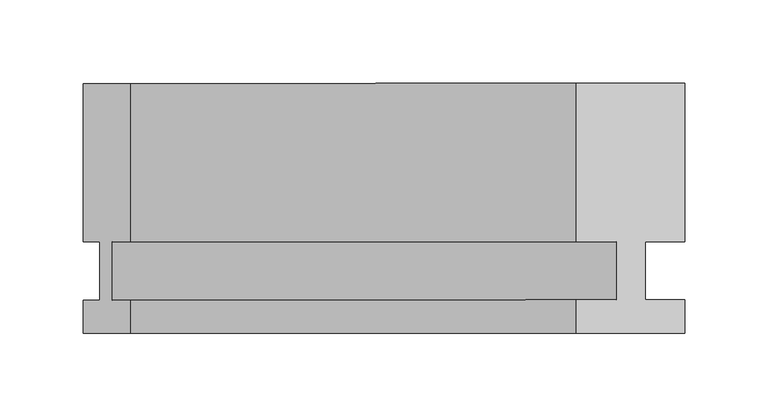
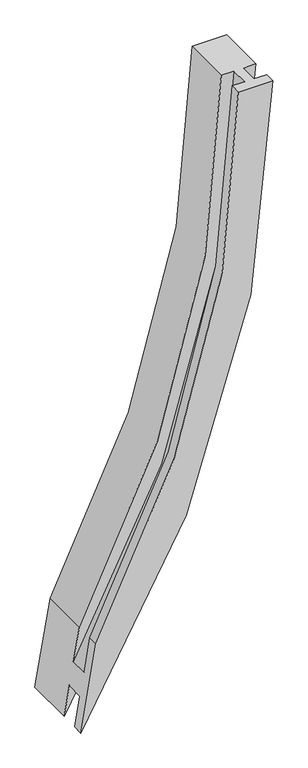
"""IFC4 building model written with IfcOpenShell, lengths in millimetres: member geometry."""

from ifc_helpers import new_model, si_unit, frame, origin, place, context, project, spatial, polyline, circle_curve, source, transform, mapped, element, save
from ifc_brep_helpers import plane_surface, cylinder_surface, revolved_surface, advanced_brep


def member_bac3bead(model_context):
    return source(origin(), model_context, "Body", "AdvancedBrep", [
        advanced_brep(
        [(-361.1054121, -37.0, -1172.3955287), (0.0, -37.0, 0.0), (-65.0, -37.0, 0.0), (-332.6852015, -37.0, -1004.5520456), (-361.1054121, -17.0, -1172.3955287), (0.0, -17.0, 0.0), (-351.2876085, -17.0, -1114.4137506), (-23.8125, -17.0, 0.0), (-351.2876085, 18.0, -1114.4137506), (-23.8125, 18.0, 0.0), (-361.1054121, 18.0, -1172.3955287), (0.0, 18.0, 0.0), (-361.1054121, 113.0, -1172.3955287), (0.0, 113.0, 0.0), (-332.6852015, 113.0, -1004.5520456), (-65.0, 113.0, 0.0), (-332.6852015, 18.0, -1004.5520456), (-65.0, 18.0, 0.0), (-343.7260302, 18.0, -1069.7567399), (-41.1875, 18.0, 0.0), (-343.7260302, -17.0, -1069.7567399), (-41.1875, -17.0, 0.0), (-332.6852015, -17.0, -1004.5520456), (-65.0, -17.0, 0.0)],
        [
            (0, 1, circle_curve(frame((-2083.7522008, -37.0, 0.0), z_axis=(0.0, -1.0, 0.0), x_axis=(1.0, 0.0, 0.0)), 2083.7522008)),
            (1, 2),
            (2, 3, circle_curve(frame((-2083.7522008, -37.0, 0.0), z_axis=(0.0, 1.0, 0.0), x_axis=(1.0, 0.0, 0.0)), 2018.7522008)),
            (3, 0),
            (4, 5, circle_curve(frame((-2083.7522008, -17.0, 0.0), z_axis=(0.0, -1.0, 0.0), x_axis=(1.0, 0.0, 0.0)), 2083.7522008)),
            (5, 1),
            (0, 4),
            (6, 7, circle_curve(frame((-2083.7522008, -17.0, 0.0), z_axis=(0.0, -1.0, 0.0), x_axis=(1.0, 0.0, 0.0)), 2059.9397008)),
            (7, 5),
            (4, 6),
            (8, 9, circle_curve(frame((-2083.7522008, 18.0, 0.0), z_axis=(0.0, -1.0, 0.0), x_axis=(1.0, 0.0, 0.0)), 2059.9397008)),
            (9, 7),
            (6, 8),
            (10, 11, circle_curve(frame((-2083.7522008, 18.0, 0.0), z_axis=(0.0, -1.0, 0.0), x_axis=(1.0, 0.0, 0.0)), 2083.7522008)),
            (11, 9),
            (8, 10),
            (12, 13, circle_curve(frame((-2083.7522008, 113.0, 0.0), z_axis=(0.0, -1.0, 0.0), x_axis=(1.0, 0.0, 0.0)), 2083.7522008)),
            (13, 11),
            (10, 12),
            (14, 15, circle_curve(frame((-2083.7522008, 113.0, 0.0), z_axis=(0.0, -1.0, 0.0), x_axis=(1.0, 0.0, 0.0)), 2018.7522008)),
            (15, 13),
            (12, 14),
            (16, 17, circle_curve(frame((-2083.7522008, 18.0, 0.0), z_axis=(0.0, -1.0, 0.0), x_axis=(1.0, 0.0, 0.0)), 2018.7522008)),
            (17, 15),
            (14, 16),
            (18, 19, circle_curve(frame((-2083.7522008, 18.0, 0.0), z_axis=(0.0, -1.0, 0.0), x_axis=(1.0, 0.0, 0.0)), 2042.5647008)),
            (19, 17),
            (16, 18),
            (20, 21, circle_curve(frame((-2083.7522008, -17.0, 0.0), z_axis=(0.0, -1.0, 0.0), x_axis=(1.0, 0.0, 0.0)), 2042.5647008)),
            (21, 19),
            (18, 20),
            (22, 23, circle_curve(frame((-2083.7522008, -17.0, 0.0), z_axis=(0.0, -1.0, 0.0), x_axis=(1.0, 0.0, 0.0)), 2018.7522008)),
            (23, 21),
            (20, 22),
            (2, 23),
            (22, 3),
        ],
        [
            plane_surface(frame((-2083.7522008, -37.0, 0.0), z_axis=(0.0, -1.0, 0.0), x_axis=(1.0, 0.0, 0.0))),
            cylinder_surface(frame((-2083.7522008, 0.0, 0.0), z_axis=(0.0, 1.0, 0.0), x_axis=(1.0, 0.0, 0.0)), 2083.7522008),
            plane_surface(frame((-2083.7522008, -17.0, 0.0), z_axis=(0.0, 1.0, 0.0), x_axis=(1.0, 0.0, 0.0))),
            cylinder_surface(frame((-2083.7522008, 0.0, 0.0), z_axis=(0.0, 1.0, 0.0), x_axis=(1.0, 0.0, 0.0)), 2059.9397008),
            plane_surface(frame((-2083.7522008, 18.0, 0.0), z_axis=(0.0, -1.0, 0.0), x_axis=(1.0, 0.0, 0.0))),
            plane_surface(frame((-2083.7522008, 113.0, 0.0), z_axis=(0.0, 1.0, 0.0), x_axis=(1.0, 0.0, 0.0))),
            revolved_surface(polyline([(-65.0, 113.0, 0.0), (-65.0, 18.0, 0.0)]), (-2083.7522008, 0.0, 0.0), (0.0, 1.0, 0.0)),
            revolved_surface(polyline([(-41.1875, 18.0, 0.0), (-41.1875, -17.0, 0.0)]), (-2083.7522008, 0.0, 0.0), (0.0, 1.0, 0.0)),
            revolved_surface(polyline([(-65.0, -17.0, 0.0), (-65.0, -37.0, 0.0)]), (-2083.7522008, 0.0, 0.0), (0.0, 1.0, 0.0)),
            plane_surface(frame((-304.8, 0.0, 0.0), z_axis=(0.0, 0.0, 1.0), x_axis=(0.0, 1.0, 0.0))),
            plane_surface(frame((-347.5532094, 0.0, -1092.3592145), z_axis=(-0.9859654870734517, 0.0, 0.16694926864173812), x_axis=(0.16694926864173812, 0.0, 0.9859654870734517))),
        ],
        [
            (0, [[1, 2, 3, 4]]),
            (1, [[5, 6, -1, 7]]),
            (2, [[8, 9, -5, 10]]),
            (3, [[11, 12, -8, 13]]),
            (4, [[14, 15, -11, 16]]),
            (1, [[17, 18, -14, 19]]),
            (5, [[20, 21, -17, 22]]),
            (6, [[23, 24, -20, 25]]),
            (4, [[26, 27, -23, 28]]),
            (7, [[29, 30, -26, 31]]),
            (2, [[32, 33, -29, 34]]),
            (8, [[-3, 35, -32, 36]]),
            (9, [[-2, -6, -9, -12, -15, -18, -21, -24, -27, -30, -33, -35]]),
            (10, [[-36, -34, -31, -28, -25, -22, -19, -16, -13, -10, -7, -4]]),
        ],
    ),
    ])


if __name__ == "__main__":
    model = new_model("IFC4")
    model_context = context("Model", 3, world=origin())
    ifc_project = project(units=[si_unit("LENGTHUNIT", "METRE", prefix="MILLI")], contexts=[model_context])
    site = spatial("IfcSite", under=ifc_project)
    building = spatial("IfcBuilding", under=site)
    placement = place(None, origin())
    member_shape = member_bac3bead(model_context)
    element("IfcMember", 1, at=placement, inside=building, context=model_context, shape_type="MappedRepresentation", body=[
        mapped(member_shape, transform((0.0, 0.0, 0.0), x_axis=(1.0, 0.0, 0.0), y_axis=(0.0, 1.0, 0.0), z_axis=(0.0, 0.0, 1.0))),
    ])
    save(model, "model.ifc")
